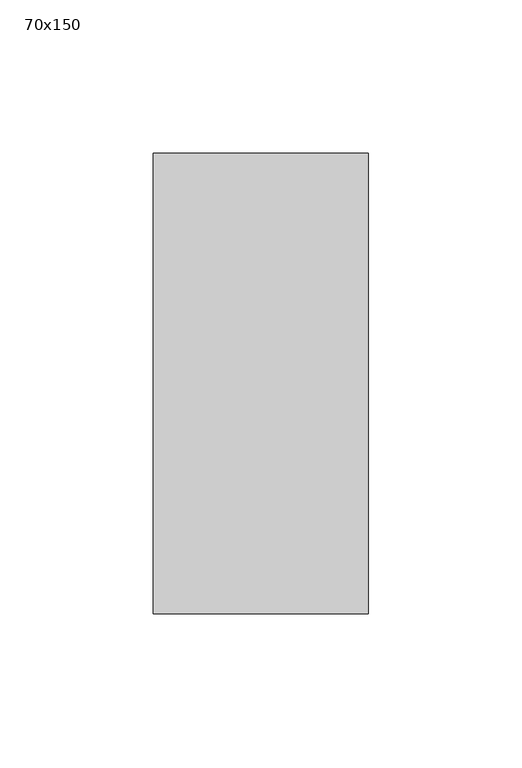
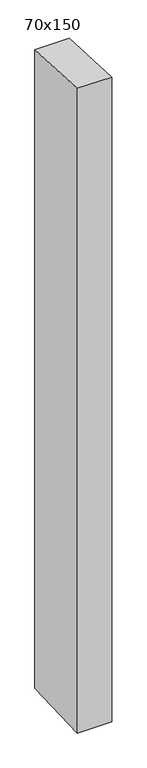
"""IFC4 building model written with IfcOpenShell, lengths in millimetres: member geometry, 70x150."""

from ifc_helpers import new_model, si_unit, frame, origin, place, context, project, spatial, polyline, outline, extrude, source, transform, mapped, element, save


def member_70x150_3062bb74(model_context):
    return source(origin(), model_context, "Body", "SweptSolid", [
        extrude(outline(polyline([(-75.0, 3.7574111), (75.0, -3.7574111), (75.0, -1381.0390381), (-75.0, -1386.8410383), (-75.0, 3.7574111)])), frame((-35.0, 0.0, 0.0), z_axis=(1.0, 0.0, 0.0), x_axis=(0.0, 1.0, 0.0)), (0.0, 0.0, 1.0), 70.0),
    ])


if __name__ == "__main__":
    model = new_model("IFC4")
    model_context = context("Model", 3, world=origin())
    ifc_project = project(units=[si_unit("LENGTHUNIT", "METRE", prefix="MILLI")], contexts=[model_context])
    site = spatial("IfcSite", under=ifc_project)
    building = spatial("IfcBuilding", under=site)
    placement = place(None, origin())
    member_70x150_shape = member_70x150_3062bb74(model_context)
    element("IfcMember", 1, ObjectType="70x150", at=placement, inside=building, context=model_context, shape_type="MappedRepresentation", body=[
        mapped(member_70x150_shape, transform((0.0, 0.0, 0.0), x_axis=(1.0, 0.0, 0.0), y_axis=(0.0, 1.0, 0.0), z_axis=(0.0, 0.0, 1.0))),
    ])
    save(model, "model.ifc")
